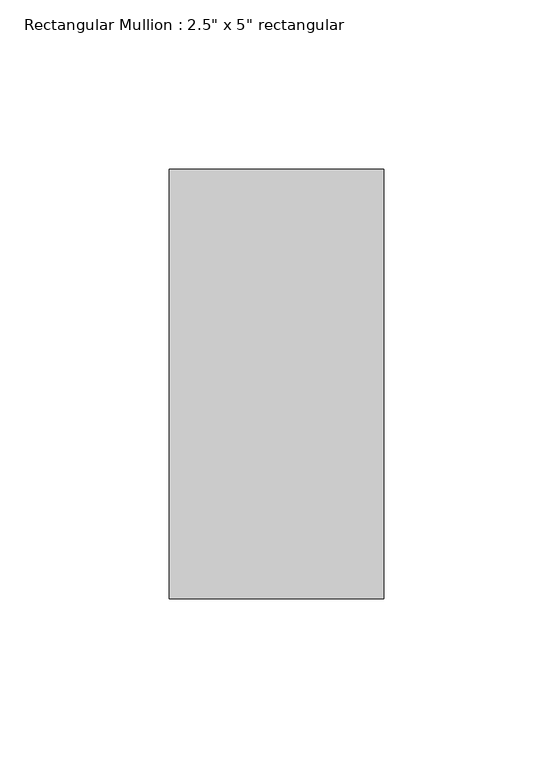
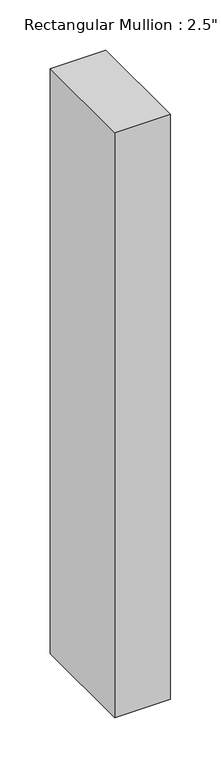
"""IFC4 building model written with IfcOpenShell, lengths in millimetres: member geometry."""

from ifc_helpers import new_model, si_unit, frame, origin, place, context, project, spatial, polyline, outline, extrude, source, transform, mapped, element, save


def member_6828e3cb(model_context):
    return source(origin(), model_context, "Body", "SweptSolid", [
        extrude(outline(polyline([(0.0, 63.5), (0.0, -63.5), (-63.5, -63.5), (-63.5, 63.5), (0.0, 63.5)])), frame((0.0, 0.0, -707.5964428), z_axis=(0.0, 0.0, 1.0), x_axis=(1.0, 0.0, 0.0)), (0.0, 0.0, 1.0), 707.5964428),
    ])


if __name__ == "__main__":
    model = new_model("IFC4")
    model_context = context("Model", 3, world=origin())
    ifc_project = project(units=[si_unit("LENGTHUNIT", "METRE", prefix="MILLI")], contexts=[model_context])
    site = spatial("IfcSite", under=ifc_project)
    building = spatial("IfcBuilding", under=site)
    placement = place(None, origin())
    member_shape = member_6828e3cb(model_context)
    element("IfcMember", 1, ObjectType="Rectangular Mullion : 2.5\" x 5\" rectangular", at=placement, inside=building, context=model_context, shape_type="MappedRepresentation", body=[
        mapped(member_shape, transform((0.0, 0.0, 0.0), x_axis=(1.0, 0.0, 0.0), y_axis=(0.0, 1.0, 0.0), z_axis=(0.0, 0.0, 1.0))),
    ])
    save(model, "model.ifc")
